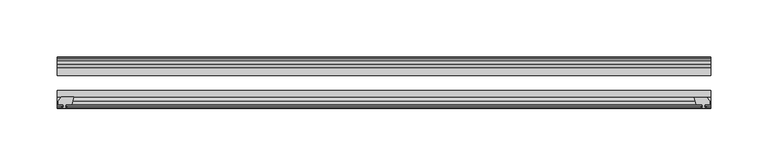
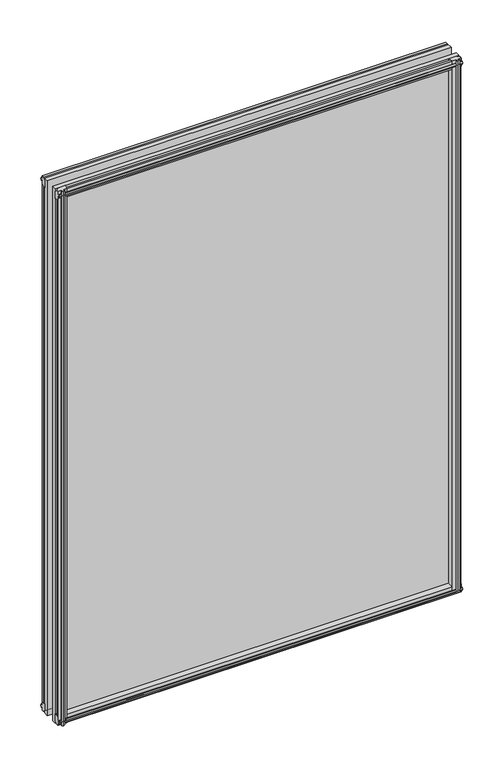
"""IFC4 building model written with IfcOpenShell, lengths in millimetres: plate geometry."""

from ifc_helpers import new_model, si_unit, frame, origin, place, context, project, spatial, polyline, outline, extrude, source, transform, mapped, element, save


def plate_75085a1b(model_context):
    return source(origin(), model_context, "Body", "SweptSolid", [
        extrude(outline(polyline([(-271.3322822, -83.2445312), (-273.0500003, -89.5945312), (-278.2570003, -89.5945312), (-278.6380003, -91.9747282), (-277.2224712, -91.514795), (-277.2224712, -92.3160092), (-279.4000003, -93.0235312), (-281.5775293, -92.3160092), (-281.5775293, -91.514795), (-280.1620003, -91.9747282), (-280.5430003, -89.5945312), (-284.9880003, -89.5945312), (-284.9880003, -86.6481312), (-282.1536581, -83.2445312), (-271.3322822, -83.2445312)])), frame((0.0, 0.0, -12.4587), z_axis=(0.0, 0.0, 1.0), x_axis=(1.0, 0.0, 0.0)), (0.0, 0.0, 1.0), 799.6258919),
        extrude(outline(polyline([(271.3538929, -83.3244209), (282.1752688, -83.3244209), (285.0096109, -86.7280209), (285.0096109, -89.6744209), (280.5646109, -89.6744209), (280.1836109, -92.0546178), (281.59914, -91.5946846), (281.59914, -92.3958988), (279.4216109, -93.1034209), (277.2440819, -92.3958988), (277.2440819, -91.5946846), (278.6596109, -92.0546178), (278.2786109, -89.6744209), (273.0716109, -89.6744209), (271.3538929, -83.3244209)])), frame((0.0, 0.0, -9.0482291), z_axis=(0.0, 0.0, 1.0), x_axis=(1.0, 0.0, 0.0)), (0.0, 0.0, 1.0), 796.215421),
        extrude(outline(polyline([(-280.6827003, -49.1143343), (-282.0982293, -49.5742675), (-282.0982293, -48.7730533), (-279.9207003, -48.0655313), (-277.7431712, -48.7730533), (-277.7431712, -49.5742675), (-279.1587003, -49.1143343), (-278.7777003, -51.4945313), (-273.5707003, -51.4945313), (-271.8529822, -57.8445313), (-282.6743581, -57.8445313), (-285.5087003, -54.4409313), (-285.5087003, -51.4945313), (-281.0637003, -51.4945313), (-280.6827003, -49.1143343)])), frame((0.0, 0.0, -12.4587), z_axis=(0.0, 0.0, 1.0), x_axis=(1.0, 0.0, 0.0)), (0.0, 0.0, 1.0), 793.2758919),
        extrude(outline(polyline([(271.8529822, -57.8445313), (273.5707003, -51.4945313), (278.7777003, -51.4945313), (279.1587003, -49.1143343), (277.7431712, -49.5742675), (277.7431712, -48.7730533), (279.9207003, -48.0655313), (282.0982293, -48.7730533), (282.0982293, -49.5742675), (280.6827003, -49.1143343), (281.0637003, -51.4945313), (285.5087003, -51.4945313), (285.5087003, -54.4409313), (282.6743581, -57.8445313), (271.8529822, -57.8445313)])), frame((0.0, 0.0, -12.4587), z_axis=(0.0, 0.0, 1.0), x_axis=(1.0, 0.0, 0.0)), (0.0, 0.0, 1.0), 793.2758919),
        extrude(outline(polyline([(-48.7730533, -4.6931709), (-48.0655312, -6.8707), (-48.7730533, -9.0482291), (-49.5742675, -9.0482291), (-49.1143343, -7.6327), (-51.4945312, -8.0137), (-51.4945312, -12.4587), (-54.4409312, -12.4587), (-57.8445312, -9.6243578), (-57.8445312, 1.1970181), (-51.4945312, -0.5207), (-51.4945312, -5.7277), (-49.1143343, -6.1087), (-49.5742675, -4.6931709), (-48.7730533, -4.6931709)])), frame((-285.7500003, 0.0, 0.0), z_axis=(1.0, 0.0, 0.0), x_axis=(0.0, 1.0, 0.0)), (0.0, 0.0, 1.0), 571.5000005),
        extrude(outline(polyline([(-83.2445312, 1.7177181), (-83.2445312, -9.1036578), (-86.6481312, -11.938), (-89.5945312, -11.938), (-89.5945312, -7.493), (-91.9747282, -7.112), (-91.514795, -8.5275291), (-92.3160092, -8.5275291), (-93.0235312, -6.35), (-92.3160092, -4.1724709), (-91.514795, -4.1724709), (-91.9747282, -5.588), (-89.5945312, -5.207), (-89.5945312, 0.0), (-83.2445312, 1.7177181)])), frame((-285.7500003, 0.0, 0.0), z_axis=(1.0, 0.0, 0.0), x_axis=(0.0, 1.0, 0.0)), (0.0, 0.0, 1.0), 571.5000005),
        extrude(outline(polyline([(-49.1143343, 782.3411919), (-49.5742675, 783.756721), (-48.7730533, 783.756721), (-48.0655312, 781.5791919), (-48.7730533, 779.4016629), (-49.5742675, 779.4016629), (-49.1143343, 780.8171919), (-51.4945312, 780.4361919), (-51.4945312, 775.2291919), (-57.8445313, 773.5114739), (-57.8445313, 784.3328498), (-54.4409312, 787.1671919), (-51.4945312, 787.1671919), (-51.4945312, 782.7221919), (-49.1143343, 782.3411919)])), frame((-285.7500003, 0.0, 0.0), z_axis=(1.0, 0.0, 0.0), x_axis=(0.0, 1.0, 0.0)), (0.0, 0.0, 1.0), 571.5000005),
        extrude(outline(polyline([(-89.5945312, 786.6464919), (-86.6481312, 786.6464919), (-83.2445313, 783.8121498), (-83.2445313, 772.9907739), (-89.5945312, 774.7084919), (-89.5945312, 779.9154919), (-91.9747282, 780.2964919), (-91.514795, 778.8809629), (-92.3160092, 778.8809629), (-93.0235312, 781.0584919), (-92.3160092, 783.236021), (-91.514795, 783.236021), (-91.9747282, 781.8204919), (-89.5945312, 782.2014919), (-89.5945312, 786.6464919)])), frame((-285.7500003, 0.0, 0.0), z_axis=(1.0, 0.0, 0.0), x_axis=(0.0, 1.0, 0.0)), (0.0, 0.0, 1.0), 571.5000005),
        extrude(outline(polyline([(-285.7500003, -57.8445312), (285.7500003, -57.8445312), (285.7500003, -64.1945313), (-285.7500003, -64.1945313), (-285.7500003, -57.8445312)])), frame((0.0, 0.0, -12.7), z_axis=(0.0, 0.0, 1.0), x_axis=(1.0, 0.0, 0.0)), (0.0, 0.0, 1.0), 800.1084919),
        extrude(outline(polyline([(-285.7500003, -77.2171112), (285.7500003, -77.2171112), (285.7500003, -83.2445312), (-285.7500003, -83.2445312), (-285.7500003, -77.2171112)])), frame((0.0, 0.0, -12.7), z_axis=(0.0, 0.0, 1.0), x_axis=(1.0, 0.0, 0.0)), (0.0, 0.0, 1.0), 800.1084919),
    ])


if __name__ == "__main__":
    model = new_model("IFC4")
    model_context = context("Model", 3, world=origin())
    ifc_project = project(units=[si_unit("LENGTHUNIT", "METRE", prefix="MILLI")], contexts=[model_context])
    site = spatial("IfcSite", under=ifc_project)
    building = spatial("IfcBuilding", under=site)
    placement = place(None, origin())
    plate_shape = plate_75085a1b(model_context)
    element("IfcPlate", 1, at=placement, inside=building, context=model_context, shape_type="MappedRepresentation", body=[
        mapped(plate_shape, transform((0.0, 0.0, 0.0), x_axis=(1.0, 0.0, 0.0), y_axis=(0.0, 1.0, 0.0), z_axis=(0.0, 0.0, 1.0))),
    ])
    save(model, "model.ifc")
